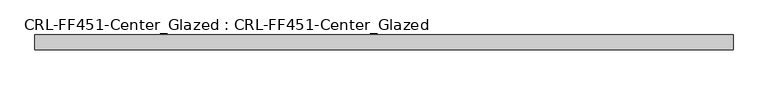
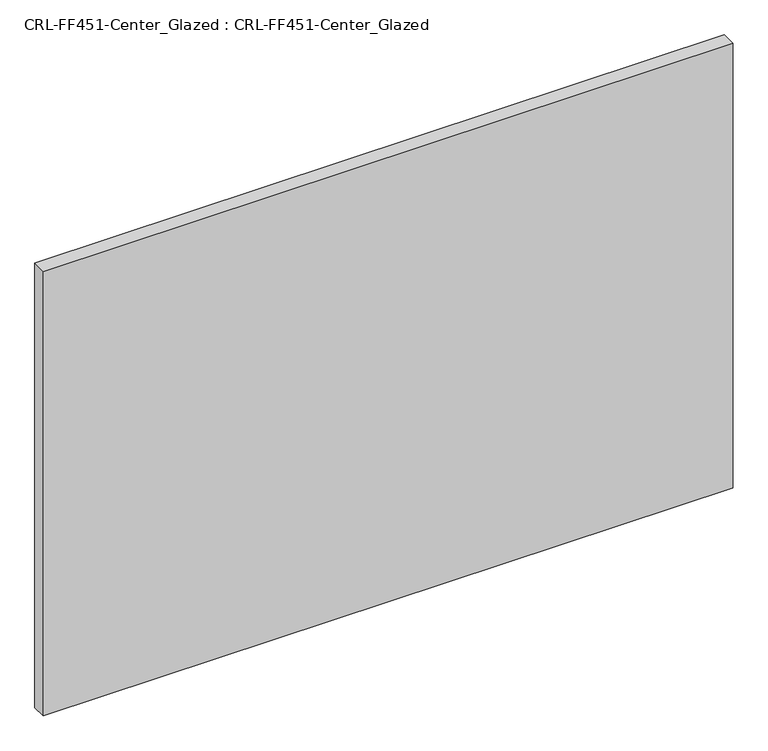
"""IFC4 building model written with IfcOpenShell, lengths in millimetres: plate geometry, CRL-FF451-Center_Glazed : CRL-FF451-Center_Glazed."""

from ifc_helpers import new_model, si_unit, origin, origin_with_axes, place, context, project, spatial, polyline, outline, extrude, source, transform, mapped, element, save


def crl_ff451_center_glazed_crl_ff451_center_glazed_6adb0e51(model_context):
    return source(origin(), model_context, "Body", "SweptSolid", [
        extrude(outline(polyline([(-597.9356493, -12.709956), (-597.9356493, 12.709956), (597.9356493, 12.709956), (597.9356493, -12.709956), (-597.9356493, -12.709956)])), origin_with_axes(), (0.0, 0.0, 1.0), 815.1595339),
    ])


if __name__ == "__main__":
    model = new_model("IFC4")
    model_context = context("Model", 3, world=origin())
    ifc_project = project(units=[si_unit("LENGTHUNIT", "METRE", prefix="MILLI")], contexts=[model_context])
    site = spatial("IfcSite", under=ifc_project)
    building = spatial("IfcBuilding", under=site)
    placement = place(None, origin())
    crl_ff451_center_glazed_crl_ff451_center_glazed_shape = crl_ff451_center_glazed_crl_ff451_center_glazed_6adb0e51(model_context)
    element("IfcPlate", 1, ObjectType="CRL-FF451-Center_Glazed : CRL-FF451-Center_Glazed", at=placement, inside=building, context=model_context, shape_type="MappedRepresentation", body=[
        mapped(crl_ff451_center_glazed_crl_ff451_center_glazed_shape, transform((0.0, 0.0, 0.0), x_axis=(1.0, 0.0, 0.0), y_axis=(0.0, 1.0, 0.0), z_axis=(0.0, 0.0, 1.0))),
    ])
    save(model, "model.ifc")
